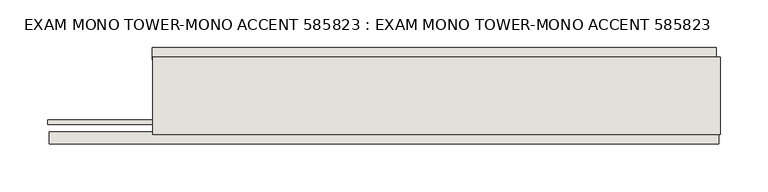
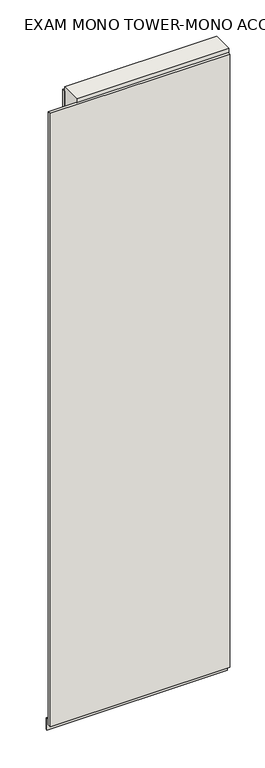
"""IFC4 building model written with IfcOpenShell, lengths in millimetres: wall geometry, EXAM MONO TOWER-MONO ACCENT 585823 : EXAM MONO TOWER-MONO ACCENT 585823."""

import ifcopenshell
import ifcopenshell.guid

model = None  # the IFC model being written
_history = None  # IfcOwnerHistory: only IFC2X3 demands one
_inside = {}  # id of a spatial element -> (the spatial element, [elements in it])
_under = {}  # id of a project, library or spatial element -> (it, [spatial elements below it])
_declared = {}  # id of a project -> (the project, [libraries it declares])
_typed = {}  # id of a type object -> (the type object, [elements of that type])
_made_of = {}  # id of a material, layer set ... -> (it, [elements and type objects made of it])


def new_model(schema):
    """Start an empty IFC model of exactly this schema.

    Asked for "IFC4X3", IfcOpenShell would pick the latest addendum, in which some entities
    have other attributes; the version numbers below select the first issue.
    IFC2X3 requires an IfcOwnerHistory on every rooted entity: one is made here for all.
    """
    global model, _history
    if schema == "IFC4X3":
        model = ifcopenshell.file(schema_version=(4, 3, 0, 0))
    else:
        model = ifcopenshell.file(schema=schema)
    _inside.clear()
    _under.clear()
    _declared.clear()
    _typed.clear()
    _made_of.clear()
    _history = None
    if model.schema == "IFC2X3":
        org = make("IfcOrganization", Name="unknown")
        user = make(
            "IfcPersonAndOrganization",
            ThePerson=make("IfcPerson", FamilyName="unknown"),
            TheOrganization=org,
        )
        app = make(
            "IfcApplication",
            ApplicationDeveloper=org,
            Version="unknown",
            ApplicationFullName="unknown",
            ApplicationIdentifier="unknown",
        )
        _history = make(
            "IfcOwnerHistory",
            OwningUser=user,
            OwningApplication=app,
            ChangeAction="ADDED",
            CreationDate=0,
        )
    return model


def make(cls, **values):
    """One entity of the class cls with the attributes given. An attribute that is None is left unset."""
    return model.create_entity(
        cls, **{name: value for name, value in values.items() if value is not None}
    )


def rooted(cls, **values):
    """An entity with a GlobalId (a new one), such as an element, a storey or a relation."""
    return make(cls, GlobalId=ifcopenshell.guid.new(), OwnerHistory=_history, **values)


def si_unit(unit_type, name, prefix=None):
    """IfcSIUnit, for example si_unit("LENGTHUNIT", "METRE", prefix="MILLI")."""
    return make("IfcSIUnit", UnitType=unit_type, Prefix=prefix, Name=name)


def assignment(units):
    """IfcUnitAssignment: the units of a project."""
    return None if units is None else make("IfcUnitAssignment", Units=units)


def point(xyz):
    """IfcCartesianPoint."""
    return None if xyz is None else make("IfcCartesianPoint", Coordinates=xyz)


def direction(xyz):
    """IfcDirection."""
    return None if xyz is None else make("IfcDirection", DirectionRatios=xyz)


def frame(location, z_axis=None, x_axis=None):
    """IfcAxis2Placement3D, a coordinate frame: its origin and axes. An axis left out is left unset."""
    return make(
        "IfcAxis2Placement3D",
        Location=point(location),
        Axis=direction(z_axis),
        RefDirection=direction(x_axis),
    )


def origin():
    """The frame at (0, 0, 0) with its axes left unset."""
    return frame((0.0, 0.0, 0.0))


def place(relative_to, where):
    """IfcLocalPlacement: puts the frame where relative to a parent placement (None: the world)."""
    return make(
        "IfcLocalPlacement", PlacementRelTo=relative_to, RelativePlacement=where
    )


def context(
    kind, dimensions, precision=None, world=None, true_north=None, identifier=None
):
    """IfcGeometricRepresentationContext, for example the 3D "Model" context."""
    return make(
        "IfcGeometricRepresentationContext",
        ContextIdentifier=identifier,
        ContextType=kind,
        CoordinateSpaceDimension=dimensions,
        Precision=precision,
        WorldCoordinateSystem=world,
        TrueNorth=true_north,
    )


def project(units=None, contexts=None):
    """IfcProject with its units and contexts."""
    return rooted(
        "IfcProject",
        Name="project",
        RepresentationContexts=contexts,
        UnitsInContext=assignment(units),
    )


def spatial(cls, under=None, at=None, **own):
    """A site, building, storey or space (cls), placed at a placement, below another one or the project."""
    s = rooted(cls, ObjectPlacement=at, **own)
    if under is not None:
        _under.setdefault(under.id(), (under, []))[1].append(s)
    return s


def polyline(points):
    """IfcPolyline through the points."""
    return make("IfcPolyline", Points=[point(p) for p in points])


def outline(outer, holes=None, kind="AREA"):
    """IfcArbitraryClosedProfileDef: a profile drawn as a closed curve; with holes, ...WithVoids."""
    if holes is None:
        return make("IfcArbitraryClosedProfileDef", ProfileType=kind, OuterCurve=outer)
    return make(
        "IfcArbitraryProfileDefWithVoids",
        ProfileType=kind,
        OuterCurve=outer,
        InnerCurves=holes,
    )


def extrude(swept, where, along, depth):
    """IfcExtrudedAreaSolid: the profile swept, set in the frame where, extruded along a direction by depth."""
    return make(
        "IfcExtrudedAreaSolid",
        SweptArea=swept,
        Position=where,
        ExtrudedDirection=direction(along),
        Depth=depth,
    )


def shape(context_of_items, identifier, shape_type, items):
    """IfcShapeRepresentation: the items that make up one representation, for example the "Body"."""
    return make(
        "IfcShapeRepresentation",
        ContextOfItems=context_of_items,
        RepresentationIdentifier=identifier,
        RepresentationType=shape_type,
        Items=items,
    )


def source(mapping_origin, context_of_items, identifier, shape_type, items):
    """IfcRepresentationMap: a shape defined once, which mapped items show again and again."""
    return make(
        "IfcRepresentationMap",
        MappingOrigin=mapping_origin,
        MappedRepresentation=shape(context_of_items, identifier, shape_type, items),
    )


def transform(
    local_origin,
    x_axis=None,
    y_axis=None,
    z_axis=None,
    scale=None,
    scale2=None,
    scale3=None,
    uniform=True,
):
    """IfcCartesianTransformationOperator3D, or its non-uniform kind. x_axis, y_axis, z_axis: its Axis1, 2, 3."""
    if uniform:
        return make(
            "IfcCartesianTransformationOperator3D",
            Axis1=direction(x_axis),
            Axis2=direction(y_axis),
            LocalOrigin=point(local_origin),
            Scale=scale,
            Axis3=direction(z_axis),
        )
    return make(
        "IfcCartesianTransformationOperator3DnonUniform",
        Axis1=direction(x_axis),
        Axis2=direction(y_axis),
        LocalOrigin=point(local_origin),
        Scale=scale,
        Axis3=direction(z_axis),
        Scale2=scale2,
        Scale3=scale3,
    )


def mapped(mapping_source, mapping_target):
    """IfcMappedItem: shows the shape of a source again, moved by a transform."""
    return make(
        "IfcMappedItem", MappingSource=mapping_source, MappingTarget=mapping_target
    )


def made_of(thing, what):
    """Note that an element or type object is made of a material, layer set ...; save() writes the relation."""
    if what is not None:
        _made_of.setdefault(what.id(), (what, []))[1].append(thing)
    return thing


def element(
    cls,
    number,
    at=None,
    inside=None,
    cuts=None,
    type_object=None,
    material=None,
    context=None,
    identifier="Body",
    shape_type=None,
    held_by="IfcProductDefinitionShape",
    body=None,
    shapes=None,
    **own,
):
    """One element of the class cls, such as IfcWall. Its Tag is "e" and its number.

    at: its placement. inside: the storey or other place that contains it. cuts: it is an
    opening in that element (IfcRelVoidsElement). A single representation is given by context,
    identifier, shape_type and body (its items); several are given by shapes. held_by: the class
    of the entity that holds the representations. save() writes the other relations.
    """
    e = rooted(cls, Tag="e%d" % number, ObjectPlacement=at, **own)
    if body is not None:
        shapes = [shape(context, identifier, shape_type, body)]
    if shapes is not None:
        e.Representation = make(held_by, Representations=shapes)
    if inside is not None:
        _inside.setdefault(inside.id(), (inside, []))[1].append(e)
    if cuts is not None:
        rooted(
            "IfcRelVoidsElement", RelatingBuildingElement=cuts, RelatedOpeningElement=e
        )
    if type_object is not None:
        _typed.setdefault(type_object.id(), (type_object, []))[1].append(e)
    return made_of(e, material)


def aggregate(whole, parts):
    """IfcRelAggregates: a whole, such as a stair, and the parts it consists of."""
    return rooted("IfcRelAggregates", RelatingObject=whole, RelatedObjects=parts)


def save(model, path):
    """Write the relations noted so far, then the file.

    IfcRelAggregates (storeys below a building ...), IfcRelContainedInSpatialStructure (elements
    in a storey), IfcRelDefinesByType, IfcRelAssociatesMaterial and IfcRelDeclares: one each for
    every whole, place, type object, material and project.
    """
    for whole, parts in _under.values():
        aggregate(whole, parts)
    for where, things in _inside.values():
        rooted(
            "IfcRelContainedInSpatialStructure",
            RelatedElements=things,
            RelatingStructure=where,
        )
    for kind, things in _typed.values():
        rooted("IfcRelDefinesByType", RelatedObjects=things, RelatingType=kind)
    for what, things in _made_of.values():
        rooted("IfcRelAssociatesMaterial", RelatedObjects=things, RelatingMaterial=what)
    for by, libraries in _declared.values():
        rooted("IfcRelDeclares", RelatingContext=by, RelatedDefinitions=libraries)
    model.write(path)


def exam_mono_tower_mono_accent_585823_exam_mono_tower_mono_7561b93d(model_context):
    return source(origin(), model_context, "Body", "SweptSolid", [
        extrude(outline(polyline([(49497.0792124, -43072.1814704), (49499.6192124, -43072.1814704), (49499.6192124, -43074.7214704), (49497.0792124, -43074.7214704), (49497.0792124, -43072.1814704)])), frame((0.0, 0.0, 4419.6), z_axis=(0.0, 0.0, 1.0), x_axis=(1.0, 0.0, 0.0)), (0.0, 0.0, 1.0), 2.54),
        extrude(outline(polyline([(49497.6184036, -43124.2514704), (48794.1184136, -43124.2514704), (48794.1184136, -43111.5514704), (49497.6184036, -43111.5514704), (49497.6184036, -43124.2514704)])), frame((0.0, 0.0, 4445.0), z_axis=(0.0, 0.0, 1.0), x_axis=(1.0, 0.0, 0.0)), (0.0, 0.0, 1.0), 2545.0498756),
        extrude(outline(polyline([(48902.2524112, -43022.6514704), (49495.1523684, -43022.6514704), (49495.1523684, -43035.3514704), (48902.2524112, -43035.3514704), (48902.2524112, -43022.6514704)])), frame((0.0, 0.0, 4445.0), z_axis=(0.0, 0.0, 1.0), x_axis=(1.0, 0.0, 0.0)), (0.0, 0.0, 1.0), 2545.0498756),
        extrude(outline(polyline([(48792.103965, -43098.5414126), (49499.620457, -43098.5414126), (49499.620457, -43103.6232668), (48792.103965, -43103.6232668), (48792.103965, -43098.5414126)])), frame((0.0, 0.0, 4418.6602), z_axis=(0.0, 0.0, 1.0), x_axis=(1.0, 0.0, 0.0)), (0.0, 0.0, 1.0), 47.625),
        extrude(outline(polyline([(48792.103965, -43098.5414126), (49499.620457, -43098.5414126), (49499.620457, -43103.6232668), (48792.103965, -43103.6232668), (48792.103965, -43098.5414126)])), frame((0.0, 0.0, 4418.6602), z_axis=(0.0, 0.0, 1.0), x_axis=(1.0, 0.0, 0.0)), (0.0, 0.0, 1.0), 47.625),
        extrude(outline(polyline([(49499.620457, -43048.3770222), (48902.720457, -43048.3770222), (48902.720457, -43043.2982668), (49499.620457, -43043.2982668), (49499.620457, -43048.3770222)])), frame((0.0, 0.0, 4418.6602), z_axis=(0.0, 0.0, 1.0), x_axis=(1.0, 0.0, 0.0)), (0.0, 0.0, 1.0), 47.625),
        extrude(outline(polyline([(49499.620457, -43048.3770222), (48902.720457, -43048.3770222), (48902.720457, -43043.2982668), (49499.620457, -43043.2982668), (49499.620457, -43048.3770222)])), frame((0.0, 0.0, 4418.6602), z_axis=(0.0, 0.0, 1.0), x_axis=(1.0, 0.0, 0.0)), (0.0, 0.0, 1.0), 47.625),
        extrude(outline(polyline([(48902.720457, -43114.0877366), (48902.720457, -43032.8058824), (49499.620457, -43032.8058824), (49499.620457, -43114.0877366), (48902.720457, -43114.0877366)])), frame((0.0, 0.0, 4445.0), z_axis=(0.0, 0.0, 1.0), x_axis=(1.0, 0.0, 0.0)), (0.0, 0.0, 1.0), 2562.4536762),
    ])


if __name__ == "__main__":
    model = new_model("IFC4")
    model_context = context("Model", 3, world=origin())
    ifc_project = project(units=[si_unit("LENGTHUNIT", "METRE", prefix="MILLI")], contexts=[model_context])
    site = spatial("IfcSite", under=ifc_project)
    building = spatial("IfcBuilding", under=site)
    placement = place(None, origin())
    exam_mono_tower_mono_accent_585823_exam_mono_tower_mono_shape = exam_mono_tower_mono_accent_585823_exam_mono_tower_mono_7561b93d(model_context)
    element("IfcWall", 1, ObjectType="EXAM MONO TOWER-MONO ACCENT 585823 : EXAM MONO TOWER-MONO ACCENT 585823", at=placement, inside=building, context=model_context, shape_type="MappedRepresentation", body=[
        mapped(exam_mono_tower_mono_accent_585823_exam_mono_tower_mono_shape, transform((0.0, 0.0, 0.0), x_axis=(1.0, 0.0, 0.0), y_axis=(0.0, 1.0, 0.0), z_axis=(0.0, 0.0, 1.0))),
    ])
    save(model, "model.ifc")
